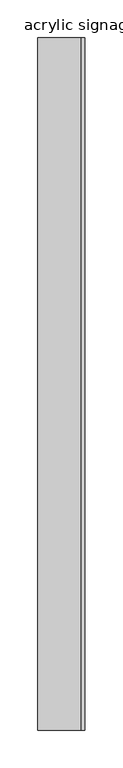
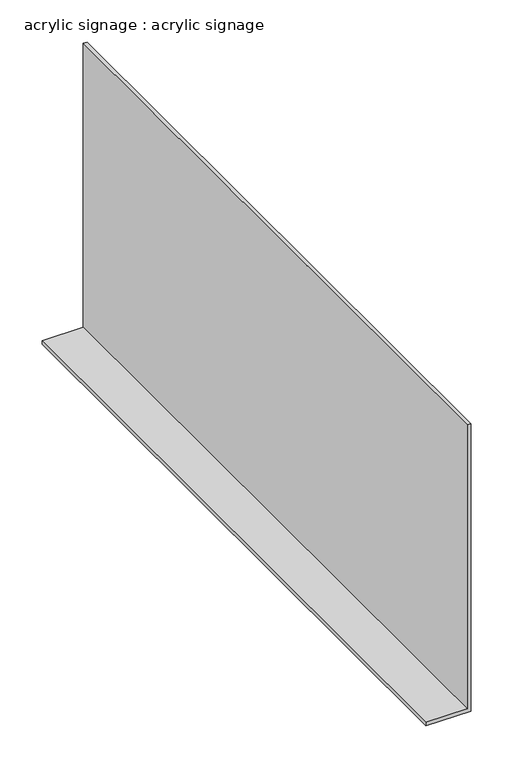
"""IFC4 building model written with IfcOpenShell, lengths in millimetres: proxy geometry, acrylic signage : acrylic signage."""

from ifc_helpers import new_model, si_unit, frame, origin, place, context, project, spatial, polyline, outline, extrude, source, transform, mapped, element, save


def acrylic_signage_acrylic_signage_9228c315(model_context):
    return source(origin(), model_context, "Body", "SweptSolid", [
        extrude(outline(polyline([(3395.0952123, 39149.0104712), (3395.0952123, 39143.8154714), (2982.5903761, 39143.8154714), (2982.5903761, 39086.7888966), (2977.3953766, 39086.7888966), (2977.3953766, 39149.0104712), (3395.0952123, 39149.0104712)])), frame((0.0, -25196.3529946, 0.0), z_axis=(0.0, 1.0, 0.0), x_axis=(0.0, 0.0, 1.0)), (0.0, 0.0, 1.0), 914.4),
    ])


if __name__ == "__main__":
    model = new_model("IFC4")
    model_context = context("Model", 3, world=origin())
    ifc_project = project(units=[si_unit("LENGTHUNIT", "METRE", prefix="MILLI")], contexts=[model_context])
    site = spatial("IfcSite", under=ifc_project)
    building = spatial("IfcBuilding", under=site)
    placement = place(None, origin())
    acrylic_signage_acrylic_signage_shape = acrylic_signage_acrylic_signage_9228c315(model_context)
    element("IfcBuildingElementProxy", 1, Name="acrylic signage : acrylic signage", ObjectType="acrylic signage : acrylic signage", at=placement, inside=building, context=model_context, shape_type="MappedRepresentation", body=[
        mapped(acrylic_signage_acrylic_signage_shape, transform((0.0, 0.0, 0.0), x_axis=(1.0, 0.0, 0.0), y_axis=(0.0, 1.0, 0.0), z_axis=(0.0, 0.0, 1.0))),
    ])
    save(model, "model.ifc")
